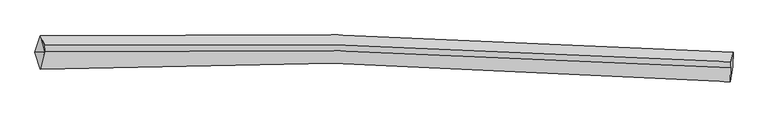
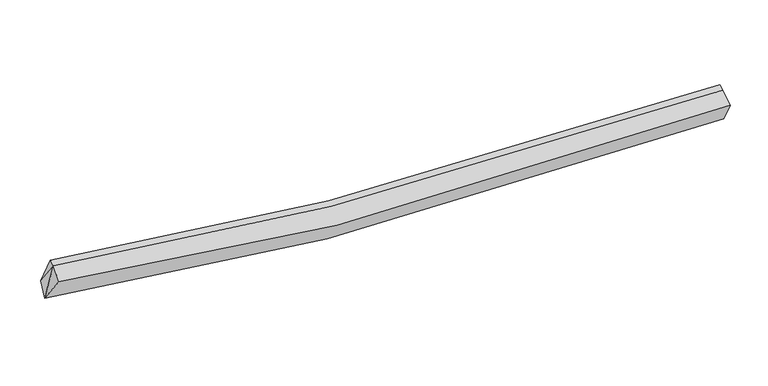
"""IFC4 building model written with IfcOpenShell, lengths in millimetres: proxy geometry."""

from ifc_helpers import new_model, si_unit, frame, origin, place, context, project, spatial, source, transform, mapped, element, save
from ifc_brep_helpers import plane_surface, spline_curve, spline_surface, advanced_brep


def generic_models_6305f6e5(model_context):
    return source(origin(), model_context, "Body", "AdvancedBrep", [
        advanced_brep(
        [(-7619.0178073, -1983.6398001, 3253.8877949), (-7488.156133, -1581.3443285, 3423.9677531), (9237.3933856, -1978.2595102, 2504.5387434), (9227.0122298, -2317.1508565, 2308.8250689), (-7496.0742742, -2395.6413874, 3890.7618556), (9169.1935174, -2699.4378261, 2916.2077073), (-7385.255856, -1965.2229124, 4022.0051815), (9179.767703, -2358.1879105, 3111.1141231), (-7378.7296228, -1814.364219, 4074.9113524), (9186.2939361, -2207.3292172, 3164.020294)],
        [
            (0, 1),
            (1, 2, spline_curve(3, [(-7488.156133, -1581.3443285, 3423.9677531), (-5161.692916111, -1530.165395093, 3001.932308347), (-2818.64500307, -1524.520633488, 2703.79142372), (2742.590967376, -1618.532905593, 2293.123707423), (5974.726228232, -1756.482727957, 2284.788256155), (9237.3933856, -1978.2595102, 2504.5387434)], [4, 2, 4], [0.0, 23.465609987285, 55.304285009511034])),
            (2, 3),
            (3, 0, spline_curve(3, [(9227.0122298, -2317.1508565, 2308.8250689), (5981.268144337, -2079.007967968, 2042.513325483), (2743.00304015, -1941.118692509, 2033.924765645), (-2868.923849832, -1875.744948015, 2466.675571433), (-5246.002092084, -1902.463870892, 2790.285039315), (-7619.0178073, -1983.6398001, 3253.8877949)], [4, 2, 4], [0.0, 31.838675022226035, 55.304285009511034])),
            (4, 0),
            (3, 5),
            (5, 4, spline_curve(3, [(9169.1935174, -2699.4378261, 2916.2077073), (5967.311183852, -2423.614034716, 2587.693267373), (2767.626660166, -2273.019527401, 2555.970219221), (-2786.458627546, -2228.959729623, 3016.398151904), (-5141.86336754, -2278.288758267, 3372.972582117), (-7496.0742742, -2395.6413874, 3890.7618556)], [4, 2, 4], [0.0, 31.808094697503957, 55.25116649899097])),
            (6, 4),
            (5, 7),
            (7, 6, spline_curve(3, [(9179.767703, -2358.1879105, 3111.1141231), (5972.006184514, -2139.934347643, 2894.637002231), (2780.901785345, -2003.915831567, 2903.41809748), (-2733.163635135, -1910.493088636, 3309.948104908), (-5063.733756931, -1915.523272325, 3604.797361917), (-7385.255856, -1965.2229124, 4022.0051815)], [4, 2, 4], [0.0, 31.531133471223473, 54.7700804429881])),
            (8, 6),
            (7, 9),
            (9, 8, spline_curve(3, [(9186.2939361, -2207.3292172, 3164.020294), (5978.532416926, -1989.07565475, 2947.543173297), (2787.428018362, -1853.05713749, 2956.324268717), (-2726.637401974, -1759.634395909, 3362.854275559), (-5057.207523399, -1764.664579116, 3657.703533209), (-7378.7296228, -1814.364219, 4074.9113524)], [4, 2, 4], [0.0, 31.410795846464747, 54.56105207442759])),
            (1, 8),
            (9, 2),
            (1, 6),
            (6, 0),
        ],
        [
            spline_surface(3, 3, [[(-7619.0178073, -1983.6398001, 3253.8877949), (-5246.00209181, -1902.463871249, 2790.285039384), (-2868.923850038, -1875.744947901, 2466.675571092), (2743.003040429, -1941.118692665, 2033.924766107), (5981.268144295, -2079.007968147, 2042.513325721), (9227.0122298, -2317.1508565, 2308.8250689)], [(-7575.397249185, -1849.541309544, 3310.581114304), (-5217.899033347, -1778.364379175, 2860.834129085), (-2852.164234518, -1758.670176424, 2545.714188535), (2742.865682893, -1833.590096984, 2120.324413342), (5979.08750541, -1971.499554683, 2123.271635911), (9230.472615038, -2204.187074383, 2374.062960396)], [(-7531.776691115, -1715.442819056, 3367.274433696), (-5189.795974928, -1654.264887169, 2931.383218772), (-2835.404618951, -1641.595404945, 2624.752805985), (2742.728325403, -1726.061501301, 2206.724060584), (5976.90686661, -1863.99114127, 2204.029946113), (9233.933000362, -2091.223292317, 2439.300851904)], [(-7488.156133, -1581.3443285, 3423.9677531), (-5161.692916465, -1530.165395096, 3001.932308473), (-2818.645003431, -1524.520633468, 2703.791423428), (2742.590967866, -1618.53290562, 2293.123707819), (5974.726227725, -1756.482727805, 2284.788256303), (9237.3933856, -1978.2595102, 2504.5387434)]], [4, 4], [4, 2, 4], [0.0, 1.3685154909482609], [0.0, 23.465609987285, 55.304285009511034]),
            spline_surface(3, 3, [[(-7496.0742742, -2395.6413874, 3890.7618556), (-5141.863367776, -2278.288757922, 3372.972581956), (-2786.458627506, -2228.95972994, 3016.398151601), (2767.626660112, -2273.01952697, 2555.970219632), (5967.311183723, -2423.614034559, 2587.693267244), (9169.1935174, -2699.4378261, 2916.2077073)], [(-7537.05545192, -2258.307524962, 3678.470502024), (-5176.576275808, -2153.013795693, 3178.74340109), (-2813.947035022, -2111.221469272, 2833.157291407), (2759.418786879, -2162.385915547, 2381.955068433), (5971.963503931, -2308.745345771, 2405.966620078), (9188.466421551, -2572.008836249, 2713.746827842)], [(-7578.03662958, -2120.973662538, 3466.179148476), (-5211.289183778, -2027.738833477, 2984.514220251), (-2841.435442522, -1993.483208568, 2649.916431285), (2751.210913662, -2051.752304088, 2207.939917306), (5976.615824087, -2193.876656936, 2224.239972887), (9207.739325649, -2444.579846351, 2511.285948358)], [(-7619.0178073, -1983.6398001, 3253.8877949), (-5246.00209181, -1902.463871249, 2790.285039384), (-2868.923850038, -1875.744947901, 2466.675571092), (2743.003040429, -1941.118692665, 2033.924766107), (5981.268144295, -2079.007968147, 2042.513325721), (9227.0122298, -2317.1508565, 2308.8250689)]], [4, 4], [4, 2, 4], [0.0, 2.0824031237270484], [0.0, 23.44307180148701, 55.25116649899097]),
            spline_surface(3, 3, [[(-7385.255856, -1965.2229124, 4022.0051815), (-5063.733756814, -1915.523272474, 3604.797362096), (-2733.163635433, -1910.493088828, 3309.948104627), (2780.901785749, -2003.915831307, 2903.418097861), (5972.006184078, -2139.9343476, 2894.637002534), (9179.767703, -2358.1879105, 3111.1141231)], [(-7422.195328741, -2108.695737427, 3978.257406193), (-5089.776960475, -2036.445100983, 3527.522435376), (-2750.928632775, -2016.648635843, 3212.098120287), (2776.476743886, -2093.617063173, 2787.602138454), (5970.441183967, -2234.494243233, 2792.322424088), (9176.242974474, -2471.937882347, 3046.145317817)], [(-7459.134801459, -2252.168562373, 3934.509630907), (-5115.820164115, -2157.366929413, 3450.247508677), (-2768.693630164, -2122.804182925, 3114.24813594), (2772.051701976, -2183.318295105, 2671.786179039), (5968.876183834, -2329.054138926, 2690.00784569), (9172.718245926, -2585.687854253, 2981.176512583)], [(-7496.0742742, -2395.6413874, 3890.7618556), (-5141.863367776, -2278.288757922, 3372.972581956), (-2786.458627506, -2228.95972994, 3016.398151601), (2767.626660112, -2273.01952697, 2555.970219632), (5967.311183723, -2423.614034559, 2587.693267244), (9169.1935174, -2699.4378261, 2916.2077073)]], [4, 4], [4, 2, 4], [0.0, 1.428694066655905], [0.0, 23.23894697176463, 54.7700804429881]),
            spline_surface(3, 3, [[(-7378.7296228, -1814.364219, 4074.9113524), (-5057.207523614, -1764.664579074, 3657.703532996), (-2726.637402333, -1759.634395528, 3362.854275527), (2787.428018849, -1853.057138007, 2956.324268761), (5978.532417178, -1989.0756543, 2947.543173434), (9186.2939361, -2207.3292172, 3164.020294)], [(-7380.905033846, -1864.650450122, 4057.275962107), (-5059.38293466, -1814.950810196, 3640.068142703), (-2728.812813379, -1809.92062665, 3345.218885234), (2785.252607804, -1903.343369129, 2938.688878468), (5976.357006132, -2039.361885422, 2929.907783141), (9184.118525054, -2257.615448322, 3146.384903707)], [(-7383.080444954, -1914.936681278, 4039.640571793), (-5061.558345768, -1865.237041352, 3622.432752389), (-2730.988224387, -1860.206857706, 3327.583494919), (2783.077196795, -1953.629600185, 2921.053488154), (5974.181595123, -2089.648116478, 2912.272392827), (9181.943114046, -2307.901679378, 3128.749513393)], [(-7385.255856, -1965.2229124, 4022.0051815), (-5063.733756814, -1915.523272474, 3604.797362096), (-2733.163635433, -1910.493088828, 3309.948104627), (2780.901785749, -2003.915831307, 2903.418097861), (5972.006184078, -2139.9343476, 2894.637002534), (9179.767703, -2358.1879105, 3111.1141231)]], [4, 4], [4, 2, 4], [0.0, 0.5249343832021002], [0.0, 23.150256227962846, 54.56105207442759]),
            spline_surface(3, 3, [[(-7488.156133, -1581.3443285, 3423.9677531), (-5161.692916465, -1530.165395096, 3001.932308473), (-2818.645003431, -1524.520633468, 2703.791423428), (2742.590967866, -1618.53290562, 2293.123707819), (5974.726227725, -1756.482727805, 2284.788256303), (9237.3933856, -1978.2595102, 2504.5387434)], [(-7451.680629608, -1659.017625345, 3640.948952871), (-5126.864452189, -1608.331789767, 3220.522716652), (-2787.975803047, -1602.891887475, 2923.47904081), (2757.536651545, -1696.707649736, 2514.190561483), (5975.994957559, -1834.013703303, 2505.706562019), (9220.360235783, -2054.6160792, 2724.365926938)], [(-7415.205126192, -1736.690922155, 3857.930152629), (-5092.03598789, -1686.498184403, 3439.113124817), (-2757.306602717, -1681.263141521, 3143.166658144), (2772.48233517, -1774.882393891, 2735.257415098), (5977.263687343, -1911.544678802, 2726.624867719), (9203.327085917, -2130.9726482, 2944.193110462)], [(-7378.7296228, -1814.364219, 4074.9113524), (-5057.207523614, -1764.664579074, 3657.703532996), (-2726.637402333, -1759.634395528, 3362.854275527), (2787.428018849, -1853.057138007, 2956.324268761), (5978.532417178, -1989.0756543, 2947.543173434), (9186.2939361, -2207.3292172, 3164.020294)]], [4, 4], [4, 2, 4], [0.0, 2.3116693628976064], [0.0, 23.262712774191915, 54.8260922283894]),
            plane_surface(frame((9199.9321544, -2312.0730641, 2800.9411873), z_axis=(0.9964975543403655, -0.06256612994256089, 0.05548065949212458), x_axis=(-0.026897372238272828, -0.8680314844598019, -0.49578006550605525))),
            plane_surface(frame((-7417.3805373, -1786.9771533, 3840.2947623), z_axis=(-0.9868633124444148, -0.013760071049351612, 0.1609703792502032), x_axis=(0.1433045862851471, -0.534610432865166, 0.8328598205108485))),
            plane_surface(frame((-7500.1159792, -2114.8347, 3722.2182773), z_axis=(-0.945870445109452, 0.1569035860828542, 0.28409569821239455), x_axis=(0.15999526965624836, -0.5361673230465057, 0.8288100598959743))),
            plane_surface(frame((-7497.4765988, -1843.402347, 3566.6202432), z_axis=(-0.9410547990432069, 0.18692908744531253, 0.2819102365374698), x_axis=(-0.2870066077062787, -0.8823168372059992, -0.3730203827081527))),
        ],
        [
            (0, [[1, 2, 3, 4]]),
            (1, [[5, -4, 6, 7]]),
            (2, [[8, -7, 9, 10]]),
            (3, [[11, -10, 12, 13]]),
            (4, [[14, -13, 15, -2]]),
            (5, [[-9, -6, -3, -15, -12]]),
            (6, [[16, -11, -14]]),
            (7, [[-5, -8, 17]]),
            (8, [[-1, -17, -16]]),
        ],
    ),
    ])


if __name__ == "__main__":
    model = new_model("IFC4")
    model_context = context("Model", 3, world=origin())
    ifc_project = project(units=[si_unit("LENGTHUNIT", "METRE", prefix="MILLI")], contexts=[model_context])
    site = spatial("IfcSite", under=ifc_project)
    building = spatial("IfcBuilding", under=site)
    placement = place(None, origin())
    generic_models_shape = generic_models_6305f6e5(model_context)
    element("IfcBuildingElementProxy", 1, Name="Generic Models", at=placement, inside=building, context=model_context, shape_type="MappedRepresentation", body=[
        mapped(generic_models_shape, transform((0.0, 0.0, 0.0), x_axis=(1.0, 0.0, 0.0), y_axis=(0.0, 1.0, 0.0), z_axis=(0.0, 0.0, 1.0))),
    ])
    save(model, "model.ifc")
